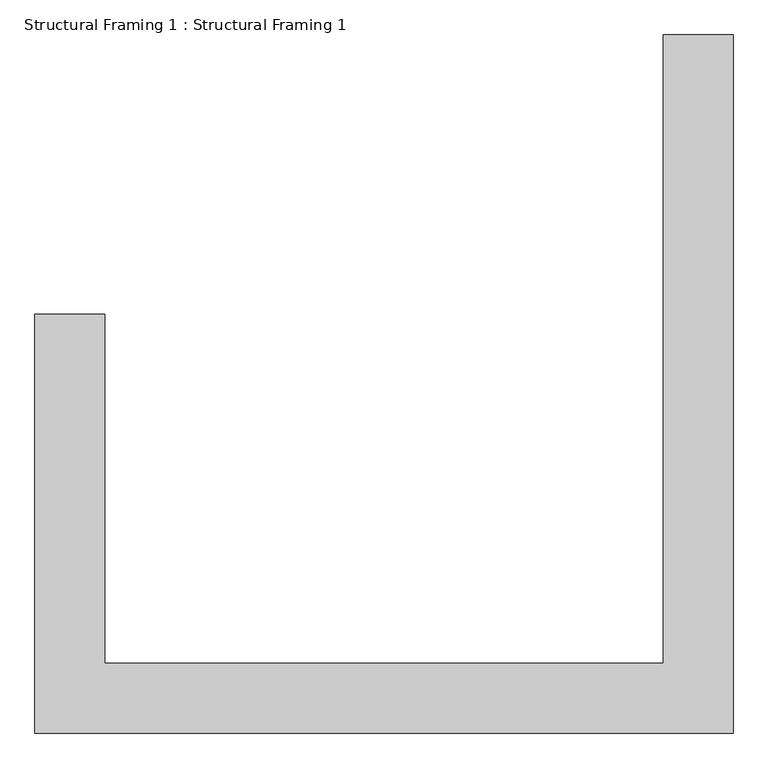
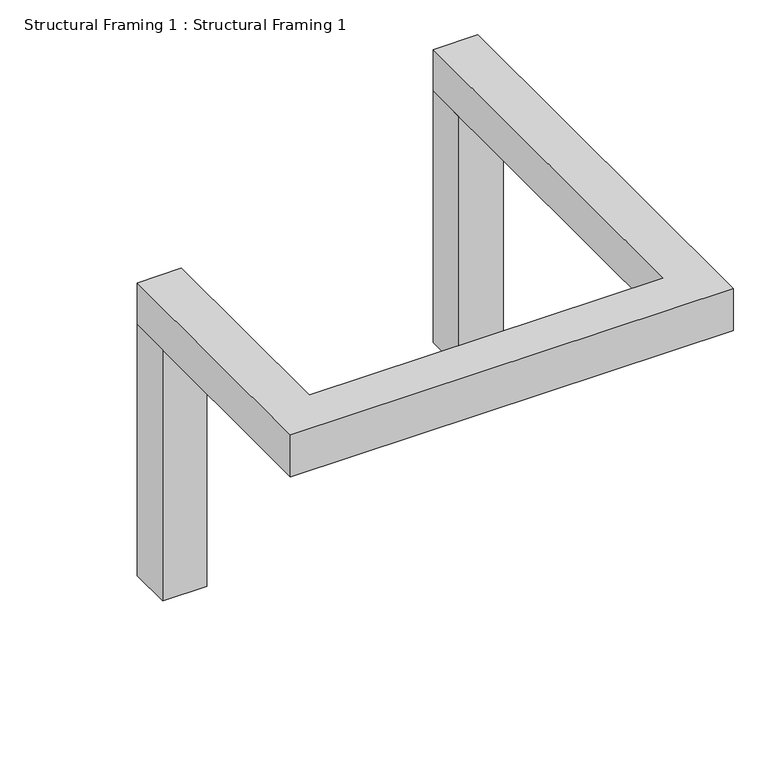
"""IFC4 building model written with IfcOpenShell, lengths in millimetres: beam geometry, Structural Framing 1 : Structural Framing 1."""

import ifcopenshell
import ifcopenshell.guid

model = None  # the IFC model being written
_history = None  # IfcOwnerHistory: only IFC2X3 demands one
_inside = {}  # id of a spatial element -> (the spatial element, [elements in it])
_under = {}  # id of a project, library or spatial element -> (it, [spatial elements below it])
_declared = {}  # id of a project -> (the project, [libraries it declares])
_typed = {}  # id of a type object -> (the type object, [elements of that type])
_made_of = {}  # id of a material, layer set ... -> (it, [elements and type objects made of it])


def new_model(schema):
    """Start an empty IFC model of exactly this schema.

    Asked for "IFC4X3", IfcOpenShell would pick the latest addendum, in which some entities
    have other attributes; the version numbers below select the first issue.
    IFC2X3 requires an IfcOwnerHistory on every rooted entity: one is made here for all.
    """
    global model, _history
    if schema == "IFC4X3":
        model = ifcopenshell.file(schema_version=(4, 3, 0, 0))
    else:
        model = ifcopenshell.file(schema=schema)
    _inside.clear()
    _under.clear()
    _declared.clear()
    _typed.clear()
    _made_of.clear()
    _history = None
    if model.schema == "IFC2X3":
        org = make("IfcOrganization", Name="unknown")
        user = make(
            "IfcPersonAndOrganization",
            ThePerson=make("IfcPerson", FamilyName="unknown"),
            TheOrganization=org,
        )
        app = make(
            "IfcApplication",
            ApplicationDeveloper=org,
            Version="unknown",
            ApplicationFullName="unknown",
            ApplicationIdentifier="unknown",
        )
        _history = make(
            "IfcOwnerHistory",
            OwningUser=user,
            OwningApplication=app,
            ChangeAction="ADDED",
            CreationDate=0,
        )
    return model


def make(cls, **values):
    """One entity of the class cls with the attributes given. An attribute that is None is left unset."""
    return model.create_entity(
        cls, **{name: value for name, value in values.items() if value is not None}
    )


def rooted(cls, **values):
    """An entity with a GlobalId (a new one), such as an element, a storey or a relation."""
    return make(cls, GlobalId=ifcopenshell.guid.new(), OwnerHistory=_history, **values)


def si_unit(unit_type, name, prefix=None):
    """IfcSIUnit, for example si_unit("LENGTHUNIT", "METRE", prefix="MILLI")."""
    return make("IfcSIUnit", UnitType=unit_type, Prefix=prefix, Name=name)


def assignment(units):
    """IfcUnitAssignment: the units of a project."""
    return None if units is None else make("IfcUnitAssignment", Units=units)


def point(xyz):
    """IfcCartesianPoint."""
    return None if xyz is None else make("IfcCartesianPoint", Coordinates=xyz)


def direction(xyz):
    """IfcDirection."""
    return None if xyz is None else make("IfcDirection", DirectionRatios=xyz)


def frame(location, z_axis=None, x_axis=None):
    """IfcAxis2Placement3D, a coordinate frame: its origin and axes. An axis left out is left unset."""
    return make(
        "IfcAxis2Placement3D",
        Location=point(location),
        Axis=direction(z_axis),
        RefDirection=direction(x_axis),
    )


def origin():
    """The frame at (0, 0, 0) with its axes left unset."""
    return frame((0.0, 0.0, 0.0))


def origin_with_axes():
    """The frame at (0, 0, 0) with the z axis (0, 0, 1) and the x axis (1, 0, 0) written out."""
    return frame((0.0, 0.0, 0.0), z_axis=(0.0, 0.0, 1.0), x_axis=(1.0, 0.0, 0.0))


def place(relative_to, where):
    """IfcLocalPlacement: puts the frame where relative to a parent placement (None: the world)."""
    return make(
        "IfcLocalPlacement", PlacementRelTo=relative_to, RelativePlacement=where
    )


def context(
    kind, dimensions, precision=None, world=None, true_north=None, identifier=None
):
    """IfcGeometricRepresentationContext, for example the 3D "Model" context."""
    return make(
        "IfcGeometricRepresentationContext",
        ContextIdentifier=identifier,
        ContextType=kind,
        CoordinateSpaceDimension=dimensions,
        Precision=precision,
        WorldCoordinateSystem=world,
        TrueNorth=true_north,
    )


def project(units=None, contexts=None):
    """IfcProject with its units and contexts."""
    return rooted(
        "IfcProject",
        Name="project",
        RepresentationContexts=contexts,
        UnitsInContext=assignment(units),
    )


def spatial(cls, under=None, at=None, **own):
    """A site, building, storey or space (cls), placed at a placement, below another one or the project."""
    s = rooted(cls, ObjectPlacement=at, **own)
    if under is not None:
        _under.setdefault(under.id(), (under, []))[1].append(s)
    return s


def polyline(points):
    """IfcPolyline through the points."""
    return make("IfcPolyline", Points=[point(p) for p in points])


def outline(outer, holes=None, kind="AREA"):
    """IfcArbitraryClosedProfileDef: a profile drawn as a closed curve; with holes, ...WithVoids."""
    if holes is None:
        return make("IfcArbitraryClosedProfileDef", ProfileType=kind, OuterCurve=outer)
    return make(
        "IfcArbitraryProfileDefWithVoids",
        ProfileType=kind,
        OuterCurve=outer,
        InnerCurves=holes,
    )


def extrude(swept, where, along, depth):
    """IfcExtrudedAreaSolid: the profile swept, set in the frame where, extruded along a direction by depth."""
    return make(
        "IfcExtrudedAreaSolid",
        SweptArea=swept,
        Position=where,
        ExtrudedDirection=direction(along),
        Depth=depth,
    )


def shape(context_of_items, identifier, shape_type, items):
    """IfcShapeRepresentation: the items that make up one representation, for example the "Body"."""
    return make(
        "IfcShapeRepresentation",
        ContextOfItems=context_of_items,
        RepresentationIdentifier=identifier,
        RepresentationType=shape_type,
        Items=items,
    )


def source(mapping_origin, context_of_items, identifier, shape_type, items):
    """IfcRepresentationMap: a shape defined once, which mapped items show again and again."""
    return make(
        "IfcRepresentationMap",
        MappingOrigin=mapping_origin,
        MappedRepresentation=shape(context_of_items, identifier, shape_type, items),
    )


def transform(
    local_origin,
    x_axis=None,
    y_axis=None,
    z_axis=None,
    scale=None,
    scale2=None,
    scale3=None,
    uniform=True,
):
    """IfcCartesianTransformationOperator3D, or its non-uniform kind. x_axis, y_axis, z_axis: its Axis1, 2, 3."""
    if uniform:
        return make(
            "IfcCartesianTransformationOperator3D",
            Axis1=direction(x_axis),
            Axis2=direction(y_axis),
            LocalOrigin=point(local_origin),
            Scale=scale,
            Axis3=direction(z_axis),
        )
    return make(
        "IfcCartesianTransformationOperator3DnonUniform",
        Axis1=direction(x_axis),
        Axis2=direction(y_axis),
        LocalOrigin=point(local_origin),
        Scale=scale,
        Axis3=direction(z_axis),
        Scale2=scale2,
        Scale3=scale3,
    )


def mapped(mapping_source, mapping_target):
    """IfcMappedItem: shows the shape of a source again, moved by a transform."""
    return make(
        "IfcMappedItem", MappingSource=mapping_source, MappingTarget=mapping_target
    )


def made_of(thing, what):
    """Note that an element or type object is made of a material, layer set ...; save() writes the relation."""
    if what is not None:
        _made_of.setdefault(what.id(), (what, []))[1].append(thing)
    return thing


def element(
    cls,
    number,
    at=None,
    inside=None,
    cuts=None,
    type_object=None,
    material=None,
    context=None,
    identifier="Body",
    shape_type=None,
    held_by="IfcProductDefinitionShape",
    body=None,
    shapes=None,
    **own,
):
    """One element of the class cls, such as IfcWall. Its Tag is "e" and its number.

    at: its placement. inside: the storey or other place that contains it. cuts: it is an
    opening in that element (IfcRelVoidsElement). A single representation is given by context,
    identifier, shape_type and body (its items); several are given by shapes. held_by: the class
    of the entity that holds the representations. save() writes the other relations.
    """
    e = rooted(cls, Tag="e%d" % number, ObjectPlacement=at, **own)
    if body is not None:
        shapes = [shape(context, identifier, shape_type, body)]
    if shapes is not None:
        e.Representation = make(held_by, Representations=shapes)
    if inside is not None:
        _inside.setdefault(inside.id(), (inside, []))[1].append(e)
    if cuts is not None:
        rooted(
            "IfcRelVoidsElement", RelatingBuildingElement=cuts, RelatedOpeningElement=e
        )
    if type_object is not None:
        _typed.setdefault(type_object.id(), (type_object, []))[1].append(e)
    return made_of(e, material)


def aggregate(whole, parts):
    """IfcRelAggregates: a whole, such as a stair, and the parts it consists of."""
    return rooted("IfcRelAggregates", RelatingObject=whole, RelatedObjects=parts)


def save(model, path):
    """Write the relations noted so far, then the file.

    IfcRelAggregates (storeys below a building ...), IfcRelContainedInSpatialStructure (elements
    in a storey), IfcRelDefinesByType, IfcRelAssociatesMaterial and IfcRelDeclares: one each for
    every whole, place, type object, material and project.
    """
    for whole, parts in _under.values():
        aggregate(whole, parts)
    for where, things in _inside.values():
        rooted(
            "IfcRelContainedInSpatialStructure",
            RelatedElements=things,
            RelatingStructure=where,
        )
    for kind, things in _typed.values():
        rooted("IfcRelDefinesByType", RelatedObjects=things, RelatingType=kind)
    for what, things in _made_of.values():
        rooted("IfcRelAssociatesMaterial", RelatedObjects=things, RelatingMaterial=what)
    for by, libraries in _declared.values():
        rooted("IfcRelDeclares", RelatingContext=by, RelatedDefinitions=libraries)
    model.write(path)


def structural_framing_1_structural_framing_1_523be276(model_context):
    return source(origin(), model_context, "Body", "SweptSolid", [
        extrude(outline(polyline([(8506.9917995, 2746.5297002), (8506.9917995, 2246.5297002), (8006.9917995, 2246.5297002), (8006.9917995, 2746.5297002), (8506.9917995, 2746.5297002)])), origin_with_axes(), (0.0, 0.0, 1.0), 3000.0),
        extrude(outline(polyline([(4006.9917995, 746.5297002), (4006.9917995, 246.5297002), (3506.9917995, 246.5297002), (3506.9917995, 746.5297002), (4006.9917995, 746.5297002)])), origin_with_axes(), (0.0, 0.0, 1.0), 3000.0),
        extrude(outline(polyline([(4006.9917995, 746.5297002), (4006.9917995, -1753.4702998), (8006.9917995, -1753.4702998), (8006.9917995, 2746.5297002), (8506.9917995, 2746.5297002), (8506.9917995, -2253.4702998), (3506.9917995, -2253.4702998), (3506.9917995, 746.5297002), (4006.9917995, 746.5297002)])), frame((0.0, 0.0, 3000.0), z_axis=(0.0, 0.0, 1.0), x_axis=(1.0, 0.0, 0.0)), (0.0, 0.0, 1.0), 500.0),
    ])


if __name__ == "__main__":
    model = new_model("IFC4")
    model_context = context("Model", 3, world=origin())
    ifc_project = project(units=[si_unit("LENGTHUNIT", "METRE", prefix="MILLI")], contexts=[model_context])
    site = spatial("IfcSite", under=ifc_project)
    building = spatial("IfcBuilding", under=site)
    placement = place(None, origin())
    structural_framing_1_structural_framing_1_shape = structural_framing_1_structural_framing_1_523be276(model_context)
    element("IfcBeam", 1, ObjectType="Structural Framing 1 : Structural Framing 1", at=placement, inside=building, context=model_context, shape_type="MappedRepresentation", body=[
        mapped(structural_framing_1_structural_framing_1_shape, transform((0.0, 0.0, 0.0), x_axis=(1.0, 0.0, 0.0), y_axis=(0.0, 1.0, 0.0), z_axis=(0.0, 0.0, 1.0))),
    ])
    save(model, "model.ifc")
